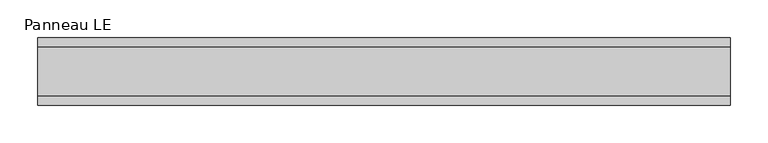
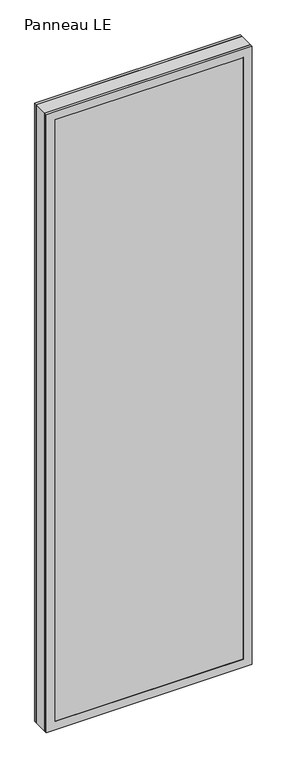
"""IFC4 building model written with IfcOpenShell, lengths in millimetres: plate geometry, Panneau LE."""

from ifc_helpers import new_model, si_unit, frame, origin, place, context, project, spatial, polyline, outline, extrude, faceted_brep, source, transform, mapped, element, save


def panneau_le_08d7b364(model_context):
    return source(origin(), model_context, "Body", "SolidModel", [
        faceted_brep([(-461.7520247, 33.0, 2933.0), (-461.7520247, 45.0, 2933.0), (-461.7520247, 45.0, 0.0), (-461.7520247, 33.0, 0.0), (461.7520247, 33.0, 0.0), (461.7520247, 45.0, 0.0), (461.7520247, 45.0, 2933.0), (461.7520247, 33.0, 2933.0), (-422.7520247, 45.0, 2894.0), (-422.7520247, 45.0, 39.0), (422.7520247, 45.0, 39.0), (422.7520247, 45.0, 2894.0), (422.7520247, 43.8, 2894.0), (-422.7520247, 43.8, 2894.0), (-437.7520247, 43.8, 2909.0), (-437.7520247, 43.8, 24.0), (437.7520247, 43.8, 24.0), (437.7520247, 43.8, 2909.0), (422.7520247, 43.8, 39.0), (-422.7520247, 43.8, 39.0), (437.7520247, 33.0, 2909.0), (-437.7520247, 33.0, 2909.0), (437.7520247, 33.0, 24.0), (-437.7520247, 33.0, 24.0)], [[[0, 1, 2, 3]], [[4, 5, 6, 7]], [[6, 1, 0, 7]], [[2, 1, 6, 5], [8, 9, 10, 11]], [[8, 11, 12, 13]], [[14, 15, 16, 17], [13, 12, 18, 19]], [[14, 17, 20, 21]], [[0, 3, 4, 7], [20, 22, 23, 21]], [[23, 22, 16, 15]], [[19, 18, 10, 9]], [[4, 3, 2, 5]], [[21, 23, 15, 14]], [[13, 19, 9, 8]], [[18, 12, 11, 10]], [[22, 20, 17, 16]]]),
        faceted_brep([(-461.7520247, -33.0, 0.0), (-461.7520247, -45.0, 0.0), (-461.7520247, -45.0, 2933.0), (-461.7520247, -33.0, 2933.0), (461.7520247, -45.0, 0.0), (461.7520247, -33.0, 0.0), (461.7520247, -33.0, 2933.0), (461.7520247, -45.0, 2933.0), (422.7520247, -45.0, 2894.0), (422.7520247, -45.0, 39.0), (-422.7520247, -45.0, 39.0), (-422.7520247, -45.0, 2894.0), (-437.7520247, -33.0, 2909.0), (-437.7520247, -33.0, 24.0), (437.7520247, -33.0, 24.0), (437.7520247, -33.0, 2909.0), (437.7520247, -43.8, 2909.0), (-437.7520247, -43.8, 2909.0), (437.7520247, -43.8, 24.0), (-437.7520247, -43.8, 24.0), (-422.7520247, -43.8, 2894.0), (-422.7520247, -43.8, 39.0), (422.7520247, -43.8, 39.0), (422.7520247, -43.8, 2894.0)], [[[0, 1, 2, 3]], [[4, 5, 6, 7]], [[2, 1, 4, 7], [8, 9, 10, 11]], [[6, 3, 2, 7]], [[0, 3, 6, 5], [12, 13, 14, 15]], [[12, 15, 16, 17]], [[17, 16, 18, 19], [20, 21, 22, 23]], [[8, 11, 20, 23]], [[10, 9, 22, 21]], [[19, 18, 14, 13]], [[4, 1, 0, 5]], [[11, 10, 21, 20]], [[17, 19, 13, 12]], [[18, 16, 15, 14]], [[9, 8, 23, 22]]]),
        extrude(outline(polyline([(2933.0, 461.7520247), (2933.0, -461.7520247), (0.0, -461.7520247), (0.0, 461.7520247), (2933.0, 461.7520247)]), holes=[polyline([(46.0, -421.7520247), (2887.0, -421.7520247), (2887.0, 421.7520247), (46.0, 421.7520247), (46.0, -421.7520247)])]), frame((0.0, -33.0, 0.0), z_axis=(0.0, 1.0, 0.0), x_axis=(0.0, 0.0, 1.0)), (0.0, 0.0, 1.0), 66.0),
        extrude(outline(polyline([(437.7520247, 37.8), (-437.7520247, 37.8), (-437.7520247, 43.8), (437.7520247, 43.8), (437.7520247, 37.8)])), frame((0.0, 0.0, 24.0), z_axis=(0.0, 0.0, 1.0), x_axis=(1.0, 0.0, 0.0)), (0.0, 0.0, 1.0), 2885.0),
        extrude(outline(polyline([(-437.7520247, -43.8), (-437.7520247, -37.8), (437.7520247, -37.8), (437.7520247, -43.8), (-437.7520247, -43.8)])), frame((0.0, 0.0, 24.0), z_axis=(0.0, 0.0, 1.0), x_axis=(1.0, 0.0, 0.0)), (0.0, 0.0, 1.0), 2885.0),
    ])


if __name__ == "__main__":
    model = new_model("IFC4")
    model_context = context("Model", 3, world=origin())
    ifc_project = project(units=[si_unit("LENGTHUNIT", "METRE", prefix="MILLI")], contexts=[model_context])
    site = spatial("IfcSite", under=ifc_project)
    building = spatial("IfcBuilding", under=site)
    placement = place(None, origin())
    panneau_le_shape = panneau_le_08d7b364(model_context)
    element("IfcPlate", 1, ObjectType="Panneau LE", at=placement, inside=building, context=model_context, shape_type="MappedRepresentation", body=[
        mapped(panneau_le_shape, transform((0.0, 0.0, 0.0), x_axis=(1.0, 0.0, 0.0), y_axis=(0.0, 1.0, 0.0), z_axis=(0.0, 0.0, 1.0))),
    ])
    save(model, "model.ifc")
